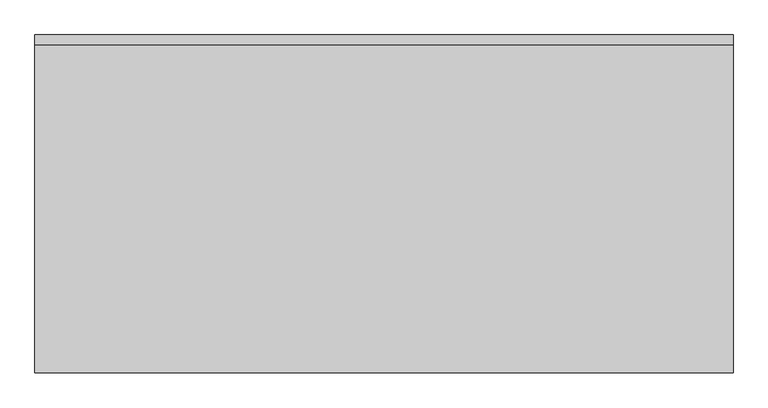
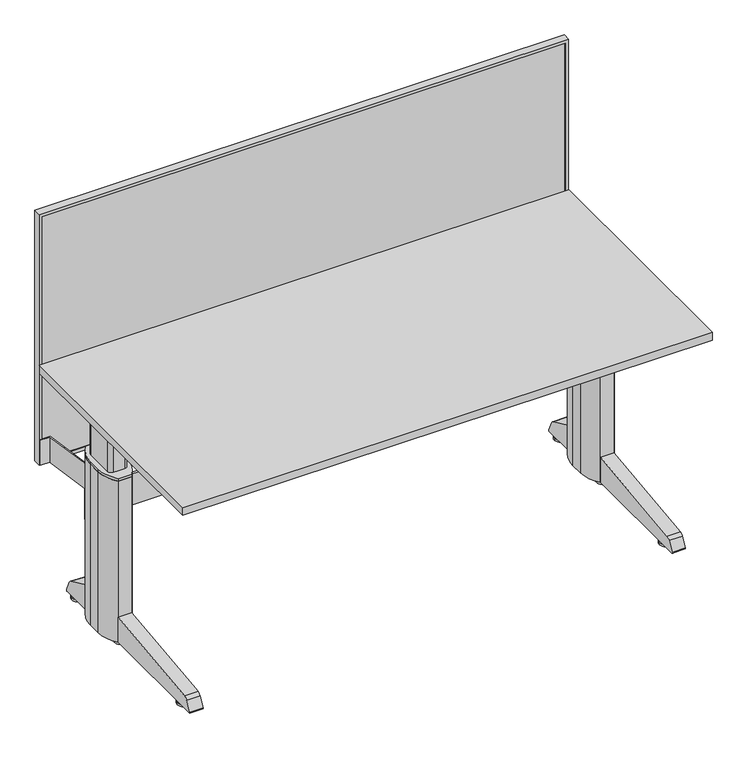
"""IFC4 building model written with IfcOpenShell, lengths in millimetres: furniture geometry."""

from ifc_helpers import new_model, si_unit, point, frame, frame_2d, origin, origin_with_axes, place, context, project, spatial, polyline, circle_curve, trimmed, segment, composite_curve, outline, extrude, source, transform, mapped, element, save


def furniture_4a232638(model_context):
    return source(origin(), model_context, "Body", "SweptSolid", [
        extrude(outline(polyline([(-10.0, 5.0), (-1590.0, 5.0), (-1590.0, 21.0), (-10.0, 21.0), (-10.0, 5.0)])), frame((0.0, 0.0, 410.0), z_axis=(0.0, 0.0, 1.0), x_axis=(1.0, 0.0, 0.0)), (0.0, 0.0, 1.0), 780.0),
        extrude(outline(polyline([(1200.0, 0.0), (1200.0, -1600.0), (400.0, -1600.0), (400.0, 0.0), (1200.0, 0.0)]), holes=[polyline([(1190.0, -10.0), (410.0, -10.0), (410.0, -1590.0), (1190.0, -1590.0), (1190.0, -10.0)])]), frame((0.0, 2.0, 0.0), z_axis=(0.0, 1.0, 0.0), x_axis=(0.0, 0.0, 1.0)), (0.0, 0.0, 1.0), 22.0),
        extrude(outline(composite_curve([segment(trimmed(circle_curve(frame_2d((-1529.0, -78.9)), 11.0229601), [point((-1517.9770399, -78.9))], [point((-1540.0229601, -78.9))], False, "CARTESIAN"), True, "CONTINUOUS"), segment(trimmed(circle_curve(frame_2d((-1529.0, -78.9)), 11.0229601), [point((-1540.0229601, -78.9))], [point((-1517.9770399, -78.9))], False, "CARTESIAN"), True, "CONTINUOUS")], self_intersect=False)), frame((0.0, 0.0, 7.0), z_axis=(0.0, 0.0, 1.0), x_axis=(1.0, 0.0, 0.0)), (0.0, 0.0, 1.0), 7.0),
        extrude(outline(composite_curve([segment(trimmed(circle_curve(frame_2d((-1529.0, -301.9)), 11.0144841), [point((-1517.9855159, -301.9))], [point((-1540.0144841, -301.9))], False, "CARTESIAN"), True, "CONTINUOUS"), segment(trimmed(circle_curve(frame_2d((-1529.0, -301.9)), 11.0144841), [point((-1540.0144841, -301.9))], [point((-1517.9855159, -301.9))], False, "CARTESIAN"), True, "CONTINUOUS")], self_intersect=False)), frame((0.0, 0.0, 7.0), z_axis=(0.0, 0.0, 1.0), x_axis=(1.0, 0.0, 0.0)), (0.0, 0.0, 1.0), 7.0),
        extrude(outline(composite_curve([segment(trimmed(circle_curve(frame_2d((-1529.0, -629.9)), 10.9720109), [point((-1518.0279891, -629.9))], [point((-1539.9720109, -629.9))], False, "CARTESIAN"), True, "CONTINUOUS"), segment(trimmed(circle_curve(frame_2d((-1529.0, -629.9)), 10.9720109), [point((-1539.9720109, -629.9))], [point((-1518.0279891, -629.9))], False, "CARTESIAN"), True, "CONTINUOUS")], self_intersect=False)), frame((0.0, 0.0, 7.0), z_axis=(0.0, 0.0, 1.0), x_axis=(1.0, 0.0, 0.0)), (0.0, 0.0, 1.0), 7.0),
        extrude(outline(composite_curve([segment(trimmed(circle_curve(frame_2d((-71.0, -629.9)), 11.0208329), [point((-59.9791671, -629.9))], [point((-82.0208329, -629.9))], False, "CARTESIAN"), True, "CONTINUOUS"), segment(trimmed(circle_curve(frame_2d((-71.0, -629.9)), 11.0208329), [point((-82.0208329, -629.9))], [point((-59.9791671, -629.9))], False, "CARTESIAN"), True, "CONTINUOUS")], self_intersect=False)), frame((0.0, 0.0, 7.0), z_axis=(0.0, 0.0, 1.0), x_axis=(1.0, 0.0, 0.0)), (0.0, 0.0, 1.0), 7.0),
        extrude(outline(composite_curve([segment(trimmed(circle_curve(frame_2d((-71.0, -301.9)), 11.0238301), [point((-59.9761699, -301.9))], [point((-82.0238301, -301.9))], False, "CARTESIAN"), True, "CONTINUOUS"), segment(trimmed(circle_curve(frame_2d((-71.0, -301.9)), 11.0238301), [point((-82.0238301, -301.9))], [point((-59.9761699, -301.9))], False, "CARTESIAN"), True, "CONTINUOUS")], self_intersect=False)), frame((0.0, 0.0, 7.0), z_axis=(0.0, 0.0, 1.0), x_axis=(1.0, 0.0, 0.0)), (0.0, 0.0, 1.0), 7.0),
        extrude(outline(composite_curve([segment(trimmed(circle_curve(frame_2d((-71.0, -78.9)), 10.9788293), [point((-60.0211707, -78.9))], [point((-81.9788293, -78.9))], False, "CARTESIAN"), True, "CONTINUOUS"), segment(trimmed(circle_curve(frame_2d((-71.0, -78.9)), 10.9788293), [point((-81.9788293, -78.9))], [point((-60.0211707, -78.9))], False, "CARTESIAN"), True, "CONTINUOUS")], self_intersect=False)), frame((0.0, 0.0, 7.0), z_axis=(0.0, 0.0, 1.0), x_axis=(1.0, 0.0, 0.0)), (0.0, 0.0, 1.0), 7.0),
        extrude(outline(composite_curve([segment(trimmed(circle_curve(frame_2d((-1529.0, -78.9)), 19.0471153), [point((-1548.0471153, -78.9))], [point((-1509.9528847, -78.9))], False, "CARTESIAN"), True, "CONTINUOUS"), segment(trimmed(circle_curve(frame_2d((-1529.0, -78.9)), 19.0471153), [point((-1509.9528847, -78.9))], [point((-1548.0471153, -78.9))], False, "CARTESIAN"), True, "CONTINUOUS")], self_intersect=False)), origin_with_axes(), (0.0, 0.0, 1.0), 7.0),
        extrude(outline(composite_curve([segment(trimmed(circle_curve(frame_2d((-1529.0, -301.9)), 18.9574752), [point((-1547.9574752, -301.9))], [point((-1510.0425248, -301.9))], False, "CARTESIAN"), True, "CONTINUOUS"), segment(trimmed(circle_curve(frame_2d((-1529.0, -301.9)), 18.9574752), [point((-1510.0425248, -301.9))], [point((-1547.9574752, -301.9))], False, "CARTESIAN"), True, "CONTINUOUS")], self_intersect=False)), origin_with_axes(), (0.0, 0.0, 1.0), 7.0),
        extrude(outline(composite_curve([segment(trimmed(circle_curve(frame_2d((-1529.0, -629.9)), 18.9885589), [point((-1547.9885589, -629.9))], [point((-1510.0114411, -629.9))], False, "CARTESIAN"), True, "CONTINUOUS"), segment(trimmed(circle_curve(frame_2d((-1529.0, -629.9)), 18.9885589), [point((-1510.0114411, -629.9))], [point((-1547.9885589, -629.9))], False, "CARTESIAN"), True, "CONTINUOUS")], self_intersect=False)), origin_with_axes(), (0.0, 0.0, 1.0), 7.0),
        extrude(outline(composite_curve([segment(trimmed(circle_curve(frame_2d((-71.0, -629.9)), 19.0292651), [point((-90.0292651, -629.9))], [point((-51.9707349, -629.9))], False, "CARTESIAN"), True, "CONTINUOUS"), segment(trimmed(circle_curve(frame_2d((-71.0, -629.9)), 19.0292651), [point((-51.9707349, -629.9))], [point((-90.0292651, -629.9))], False, "CARTESIAN"), True, "CONTINUOUS")], self_intersect=False)), origin_with_axes(), (0.0, 0.0, 1.0), 7.0),
        extrude(outline(composite_curve([segment(trimmed(circle_curve(frame_2d((-71.0, -301.9)), 19.0344102), [point((-90.0344102, -301.9))], [point((-51.9655898, -301.9))], False, "CARTESIAN"), True, "CONTINUOUS"), segment(trimmed(circle_curve(frame_2d((-71.0, -301.9)), 19.0344102), [point((-51.9655898, -301.9))], [point((-90.0344102, -301.9))], False, "CARTESIAN"), True, "CONTINUOUS")], self_intersect=False)), origin_with_axes(), (0.0, 0.0, 1.0), 7.0),
        extrude(outline(composite_curve([segment(trimmed(circle_curve(frame_2d((-71.0, -78.9)), 18.9879901), [point((-89.9879901, -78.9))], [point((-52.0120099, -78.9))], False, "CARTESIAN"), True, "CONTINUOUS"), segment(trimmed(circle_curve(frame_2d((-71.0, -78.9)), 18.9879901), [point((-52.0120099, -78.9))], [point((-89.9879901, -78.9))], False, "CARTESIAN"), True, "CONTINUOUS")], self_intersect=False)), origin_with_axes(), (0.0, 0.0, 1.0), 7.0),
        extrude(outline(polyline([(-1549.0, -153.9), (-1568.9391749, -1.0), (-1598.0, -1.0), (-1598.0, 2.0), (-1566.1768888, 2.0), (-1546.0683173, -150.9), (-1509.0, -150.9), (-1509.0, -153.9), (-1549.0, -153.9)])), frame((0.0, 0.0, 400.0), z_axis=(0.0, 0.0, 1.0), x_axis=(1.0, 0.0, 0.0)), (0.0, 0.0, 1.0), 80.0),
        extrude(outline(polyline([(-51.0, -153.9), (-91.0, -153.9), (-91.0, -150.9), (-54.0, -150.9), (-34.0, 2.0), (-2.0, 2.0), (-2.0, -1.0), (-31.0, -1.0), (-51.0, -153.9)])), frame((0.0, 0.0, 400.0), z_axis=(0.0, 0.0, 1.0), x_axis=(1.0, 0.0, 0.0)), (0.0, 0.0, 1.0), 80.0),
        extrude(outline(polyline([(-51.0, -147.9), (-51.0, -153.9), (-1549.0, -153.9), (-1549.0, -147.9), (-51.0, -147.9)])), frame((0.0, 0.0, 300.0), z_axis=(0.0, 0.0, 1.0), x_axis=(1.0, 0.0, 0.0)), (0.0, 0.0, 1.0), 100.0),
        extrude(outline(polyline([(-120.0, -132.0), (-120.0, -170.0), (-1480.0, -170.0), (-1480.0, -132.0), (-120.0, -132.0)])), frame((0.0, 0.0, 651.0), z_axis=(0.0, 0.0, 1.0), x_axis=(1.0, 0.0, 0.0)), (0.0, 0.0, 1.0), 44.0),
        extrude(outline(polyline([(-120.0, -438.0), (-1480.0, -438.0), (-1480.0, -400.0), (-120.0, -400.0), (-120.0, -438.0)])), frame((0.0, 0.0, 651.0), z_axis=(0.0, 0.0, 1.0), x_axis=(1.0, 0.0, 0.0)), (0.0, 0.0, 1.0), 44.0),
        extrude(outline(composite_curve([segment(polyline([(-323.9, 14.0), (-696.3019238, 14.0)]), True, "CONTINUOUS"), segment(trimmed(circle_curve(frame_2d((-696.3019238, 17.0)), 3.0), [point((-696.3019238, 14.0))], [point((-698.9, 18.5))], False, "CARTESIAN"), True, "CONTINUOUS"), segment(polyline([(-698.9, 18.5), (-682.9541536, 46.1190161)]), True, "CONTINUOUS"), segment(trimmed(circle_curve(frame_2d((-669.9637725, 38.6190161)), 15.0), [point((-682.9541536, 46.1190161))], [point((-671.6979738, 53.5184304))], False, "CARTESIAN"), True, "CONTINUOUS"), segment(polyline([(-671.6979738, 53.5184304), (-323.9, 94.0), (-323.9, 14.0)]), True, "CONTINUOUS")], self_intersect=False)), frame((-1549.0, 0.0, 0.0), z_axis=(1.0, 0.0, 0.0), x_axis=(0.0, 1.0, 0.0)), (0.0, 0.0, 1.0), 40.0),
        extrude(outline(composite_curve([segment(polyline([(-56.1189234, 14.0), (-153.9, 14.0), (-153.9, 94.0), (-75.5499416, 57.4647678)]), True, "CONTINUOUS"), segment(trimmed(circle_curve(frame_2d((-81.8892156, 43.870151)), 15.0), [point((-75.5499416, 57.4647678))], [point((-68.2945988, 50.2094249))], False, "CARTESIAN"), True, "CONTINUOUS"), segment(polyline([(-68.2945988, 50.2094249), (-53.4, 18.2678548)]), True, "CONTINUOUS"), segment(trimmed(circle_curve(frame_2d((-56.1189234, 17.0)), 3.0), [point((-53.4, 18.2678548))], [point((-56.1189234, 14.0))], False, "CARTESIAN"), True, "CONTINUOUS")], self_intersect=False)), frame((-1549.0, 0.0, 0.0), z_axis=(1.0, 0.0, 0.0), x_axis=(0.0, 1.0, 0.0)), (0.0, 0.0, 1.0), 40.0),
        extrude(outline(composite_curve([segment(polyline([(-323.9, 94.0), (-323.9, 14.0), (-696.3019238, 14.0)]), True, "CONTINUOUS"), segment(trimmed(circle_curve(frame_2d((-696.3019238, 17.0)), 3.0), [point((-696.3019238, 14.0))], [point((-698.9, 18.5))], False, "CARTESIAN"), True, "CONTINUOUS"), segment(polyline([(-698.9, 18.5), (-682.9541536, 46.1190161)]), True, "CONTINUOUS"), segment(trimmed(circle_curve(frame_2d((-669.9637725, 38.6190161)), 15.0), [point((-682.9541536, 46.1190161))], [point((-671.6979738, 53.5184304))], False, "CARTESIAN"), True, "CONTINUOUS"), segment(polyline([(-671.6979738, 53.5184304), (-323.9, 94.0)]), True, "CONTINUOUS")], self_intersect=False)), frame((-91.0, 0.0, 0.0), z_axis=(1.0, 0.0, 0.0), x_axis=(0.0, 1.0, 0.0)), (0.0, 0.0, 1.0), 40.0),
        extrude(outline(composite_curve([segment(polyline([(-153.9, 94.0), (-75.5499416, 57.4647678)]), True, "CONTINUOUS"), segment(trimmed(circle_curve(frame_2d((-81.8892156, 43.870151)), 15.0), [point((-75.5499416, 57.4647678))], [point((-68.2945988, 50.2094249))], False, "CARTESIAN"), True, "CONTINUOUS"), segment(polyline([(-68.2945988, 50.2094249), (-53.4, 18.2678548)]), True, "CONTINUOUS"), segment(trimmed(circle_curve(frame_2d((-56.1189234, 17.0)), 3.0), [point((-53.4, 18.2678548))], [point((-56.1189234, 14.0))], False, "CARTESIAN"), True, "CONTINUOUS"), segment(polyline([(-56.1189234, 14.0), (-153.9, 14.0), (-153.9, 94.0)]), True, "CONTINUOUS")], self_intersect=False)), frame((-91.0, 0.0, 0.0), z_axis=(1.0, 0.0, 0.0), x_axis=(0.0, 1.0, 0.0)), (0.0, 0.0, 1.0), 40.0),
        extrude(outline(composite_curve([segment(trimmed(circle_curve(frame_2d((-1585.0208333, -218.9)), 100.0208333), [point((-1509.0, -153.9))], [point((-1485.0, -218.9))], False, "CARTESIAN"), True, "CONTINUOUS"), segment(polyline([(-1485.0, -218.9), (-1485.0, -258.9)]), True, "CONTINUOUS"), segment(trimmed(circle_curve(frame_2d((-1585.0208333, -258.9)), 100.0208333), [point((-1485.0, -258.9))], [point((-1509.0, -323.9))], False, "CARTESIAN"), True, "CONTINUOUS"), segment(polyline([(-1509.0, -323.9), (-1549.0, -323.9)]), True, "CONTINUOUS"), segment(trimmed(circle_curve(frame_2d((-1472.9791667, -258.9)), 100.0208333), [point((-1549.0, -323.9))], [point((-1573.0, -258.9))], False, "CARTESIAN"), True, "CONTINUOUS"), segment(polyline([(-1573.0, -258.9), (-1573.0, -218.9)]), True, "CONTINUOUS"), segment(trimmed(circle_curve(frame_2d((-1472.9791667, -218.9)), 100.0208333), [point((-1573.0, -218.9))], [point((-1549.0, -153.9))], False, "CARTESIAN"), True, "CONTINUOUS"), segment(polyline([(-1549.0, -153.9), (-1509.0, -153.9)]), True, "CONTINUOUS")], self_intersect=False)), frame((0.0, 0.0, 14.0), z_axis=(0.0, 0.0, 1.0), x_axis=(1.0, 0.0, 0.0)), (0.0, 0.0, 1.0), 514.0),
        extrude(outline(composite_curve([segment(trimmed(circle_curve(frame_2d((-127.0208333, -218.9)), 100.0208333), [point((-51.0, -153.9))], [point((-27.0, -218.9))], False, "CARTESIAN"), True, "CONTINUOUS"), segment(polyline([(-27.0, -218.9), (-27.0, -258.9)]), True, "CONTINUOUS"), segment(trimmed(circle_curve(frame_2d((-127.0208333, -258.9)), 100.0208333), [point((-27.0, -258.9))], [point((-51.0, -323.9))], False, "CARTESIAN"), True, "CONTINUOUS"), segment(polyline([(-51.0, -323.9), (-91.0, -323.9)]), True, "CONTINUOUS"), segment(trimmed(circle_curve(frame_2d((-14.9791667, -258.9)), 100.0208333), [point((-91.0, -323.9))], [point((-115.0, -258.9))], False, "CARTESIAN"), True, "CONTINUOUS"), segment(polyline([(-115.0, -258.9), (-115.0, -218.9)]), True, "CONTINUOUS"), segment(trimmed(circle_curve(frame_2d((-14.9791667, -218.9)), 100.0208333), [point((-115.0, -218.9))], [point((-91.0, -153.9))], False, "CARTESIAN"), True, "CONTINUOUS"), segment(polyline([(-91.0, -153.9), (-51.0, -153.9)]), True, "CONTINUOUS")], self_intersect=False)), frame((0.0, 0.0, 14.0), z_axis=(0.0, 0.0, 1.0), x_axis=(1.0, 0.0, 0.0)), (0.0, 0.0, 1.0), 514.0),
        extrude(outline(composite_curve([segment(trimmed(circle_curve(frame_2d((-1585.0208333, -218.9)), 100.0208333), [point((-1509.0, -153.9))], [point((-1485.0, -218.9))], False, "CARTESIAN"), True, "CONTINUOUS"), segment(polyline([(-1485.0, -218.9), (-1485.0, -258.9)]), True, "CONTINUOUS"), segment(trimmed(circle_curve(frame_2d((-1585.0208333, -258.9)), 100.0208333), [point((-1485.0, -258.9))], [point((-1509.0, -323.9))], False, "CARTESIAN"), True, "CONTINUOUS"), segment(polyline([(-1509.0, -323.9), (-1549.0, -323.9)]), True, "CONTINUOUS"), segment(trimmed(circle_curve(frame_2d((-1472.9791667, -258.9)), 100.0208333), [point((-1549.0, -323.9))], [point((-1573.0, -258.9))], False, "CARTESIAN"), True, "CONTINUOUS"), segment(polyline([(-1573.0, -258.9), (-1573.0, -218.9)]), True, "CONTINUOUS"), segment(trimmed(circle_curve(frame_2d((-1472.9791667, -218.9)), 100.0208333), [point((-1573.0, -218.9))], [point((-1549.0, -153.9))], False, "CARTESIAN"), True, "CONTINUOUS"), segment(polyline([(-1549.0, -153.9), (-1509.0, -153.9)]), True, "CONTINUOUS")], self_intersect=False)), frame((0.0, 0.0, 528.0), z_axis=(0.0, 0.0, 1.0), x_axis=(1.0, 0.0, 0.0)), (0.0, 0.0, 1.0), 8.5),
        extrude(outline(composite_curve([segment(trimmed(circle_curve(frame_2d((-127.0208333, -218.9)), 100.0208333), [point((-51.0, -153.9))], [point((-27.0, -218.9))], False, "CARTESIAN"), True, "CONTINUOUS"), segment(polyline([(-27.0, -218.9), (-27.0, -258.9)]), True, "CONTINUOUS"), segment(trimmed(circle_curve(frame_2d((-127.0208333, -258.9)), 100.0208333), [point((-27.0, -258.9))], [point((-51.0, -323.9))], False, "CARTESIAN"), True, "CONTINUOUS"), segment(polyline([(-51.0, -323.9), (-91.0, -323.9)]), True, "CONTINUOUS"), segment(trimmed(circle_curve(frame_2d((-14.9791667, -258.9)), 100.0208333), [point((-91.0, -323.9))], [point((-115.0, -258.9))], False, "CARTESIAN"), True, "CONTINUOUS"), segment(polyline([(-115.0, -258.9), (-115.0, -218.9)]), True, "CONTINUOUS"), segment(trimmed(circle_curve(frame_2d((-14.9791667, -218.9)), 100.0208333), [point((-115.0, -218.9))], [point((-91.0, -153.9))], False, "CARTESIAN"), True, "CONTINUOUS"), segment(polyline([(-91.0, -153.9), (-51.0, -153.9)]), True, "CONTINUOUS")], self_intersect=False)), frame((0.0, 0.0, 528.0), z_axis=(0.0, 0.0, 1.0), x_axis=(1.0, 0.0, 0.0)), (0.0, 0.0, 1.0), 8.5),
        extrude(outline(composite_curve([segment(trimmed(circle_curve(frame_2d((-1512.0, -196.4)), 12.0), [point((-1512.0, -184.4))], [point((-1500.0, -196.4))], False, "CARTESIAN"), True, "CONTINUOUS"), segment(polyline([(-1500.0, -196.4), (-1500.0, -281.4)]), True, "CONTINUOUS"), segment(trimmed(circle_curve(frame_2d((-1512.0, -281.4)), 12.0), [point((-1500.0, -281.4))], [point((-1512.0, -293.4))], False, "CARTESIAN"), True, "CONTINUOUS"), segment(polyline([(-1512.0, -293.4), (-1546.0, -293.4)]), True, "CONTINUOUS"), segment(trimmed(circle_curve(frame_2d((-1546.0, -281.4)), 12.0), [point((-1546.0, -293.4))], [point((-1558.0, -281.4))], False, "CARTESIAN"), True, "CONTINUOUS"), segment(polyline([(-1558.0, -281.4), (-1558.0, -196.4)]), True, "CONTINUOUS"), segment(trimmed(circle_curve(frame_2d((-1546.0, -196.4)), 12.0), [point((-1558.0, -196.4))], [point((-1546.0, -184.4))], False, "CARTESIAN"), True, "CONTINUOUS"), segment(polyline([(-1546.0, -184.4), (-1512.0, -184.4)]), True, "CONTINUOUS")], self_intersect=False)), frame((0.0, 0.0, 536.5), z_axis=(0.0, 0.0, 1.0), x_axis=(1.0, 0.0, 0.0)), (0.0, 0.0, 1.0), 155.5),
        extrude(outline(composite_curve([segment(trimmed(circle_curve(frame_2d((-54.0, -196.4)), 12.0), [point((-54.0, -184.4))], [point((-42.0, -196.4))], False, "CARTESIAN"), True, "CONTINUOUS"), segment(polyline([(-42.0, -196.4), (-42.0, -281.4)]), True, "CONTINUOUS"), segment(trimmed(circle_curve(frame_2d((-54.0, -281.4)), 12.0), [point((-42.0, -281.4))], [point((-54.0, -293.4))], False, "CARTESIAN"), True, "CONTINUOUS"), segment(polyline([(-54.0, -293.4), (-88.0, -293.4)]), True, "CONTINUOUS"), segment(trimmed(circle_curve(frame_2d((-88.0, -281.4)), 12.0), [point((-88.0, -293.4))], [point((-100.0, -281.4))], False, "CARTESIAN"), True, "CONTINUOUS"), segment(polyline([(-100.0, -281.4), (-100.0, -196.4)]), True, "CONTINUOUS"), segment(trimmed(circle_curve(frame_2d((-88.0, -196.4)), 12.0), [point((-100.0, -196.4))], [point((-88.0, -184.4))], False, "CARTESIAN"), True, "CONTINUOUS"), segment(polyline([(-88.0, -184.4), (-54.0, -184.4)]), True, "CONTINUOUS")], self_intersect=False)), frame((0.0, 0.0, 536.5), z_axis=(0.0, 0.0, 1.0), x_axis=(1.0, 0.0, 0.0)), (0.0, 0.0, 1.0), 155.5),
        extrude(outline(polyline([(695.0, -1578.0), (668.0, -1578.0), (668.0, -1575.0), (692.0, -1575.0), (692.0, -1483.0), (651.0, -1483.0), (651.0, -1480.0), (695.0, -1480.0), (695.0, -1578.0)])), frame((0.0, -575.0, 0.0), z_axis=(0.0, 1.0, 0.0), x_axis=(0.0, 0.0, 1.0)), (0.0, 0.0, 1.0), 466.0),
        extrude(outline(polyline([(695.0, -22.0), (695.0, -120.0), (651.0, -120.0), (651.0, -117.0), (692.0, -117.0), (692.0, -25.0), (668.0, -25.0), (668.0, -22.0), (695.0, -22.0)])), frame((0.0, -575.0, 0.0), z_axis=(0.0, 1.0, 0.0), x_axis=(0.0, 0.0, 1.0)), (0.0, 0.0, 1.0), 466.0),
        extrude(outline(polyline([(0.0, 0.0), (0.0, -750.0), (-1600.0, -750.0), (-1600.0, 0.0), (0.0, 0.0)])), frame((0.0, 0.0, 695.0), z_axis=(0.0, 0.0, 1.0), x_axis=(1.0, 0.0, 0.0)), (0.0, 0.0, 1.0), 25.0),
    ])


if __name__ == "__main__":
    model = new_model("IFC4")
    model_context = context("Model", 3, world=origin())
    ifc_project = project(units=[si_unit("LENGTHUNIT", "METRE", prefix="MILLI")], contexts=[model_context])
    site = spatial("IfcSite", under=ifc_project)
    building = spatial("IfcBuilding", under=site)
    placement = place(None, origin())
    furniture_shape = furniture_4a232638(model_context)
    element("IfcFurniture", 1, at=placement, inside=building, context=model_context, shape_type="MappedRepresentation", body=[
        mapped(furniture_shape, transform((0.0, 0.0, 0.0), x_axis=(1.0, 0.0, 0.0), y_axis=(0.0, 1.0, 0.0), z_axis=(0.0, 0.0, 1.0))),
    ])
    save(model, "model.ifc")
